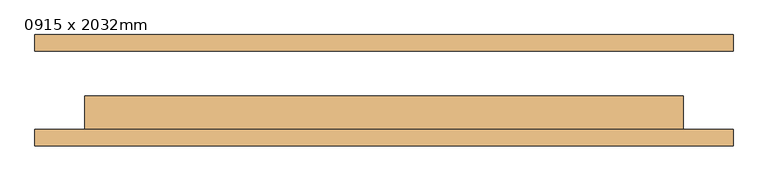
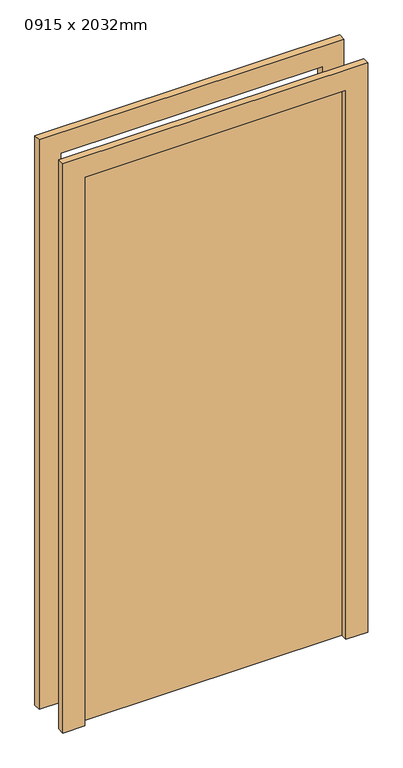
"""IFC4 building model written with IfcOpenShell, lengths in millimetres: door geometry, 0915 x 2032mm."""

from ifc_helpers import new_model, si_unit, frame, origin, origin_with_axes, place, context, project, spatial, polyline, outline, extrude, source, transform, mapped, element, save


def door_0915_x_2032mm_31b4a7db(model_context):
    return source(origin(), model_context, "Body", "SweptSolid", [
        extrude(outline(polyline([(2108.0, -533.5), (0.0, -533.5), (0.0, -457.5), (2032.0, -457.5), (2032.0, 457.5), (0.0, 457.5), (0.0, 533.5), (2108.0, 533.5), (2108.0, -533.5)])), frame((0.0, -85.0, 0.0), z_axis=(0.0, 1.0, 0.0), x_axis=(0.0, 0.0, 1.0)), (0.0, 0.0, 1.0), 25.0),
        extrude(outline(polyline([(2108.0, 533.5), (2108.0, -533.5), (0.0, -533.5), (0.0, -457.5), (2032.0, -457.5), (2032.0, 457.5), (0.0, 457.5), (0.0, 533.5), (2108.0, 533.5)])), frame((0.0, 60.0, 0.0), z_axis=(0.0, 1.0, 0.0), x_axis=(0.0, 0.0, 1.0)), (0.0, 0.0, 1.0), 25.0),
        extrude(outline(polyline([(457.5, -9.0), (457.5, -60.0), (-457.5, -60.0), (-457.5, -9.0), (457.5, -9.0)])), origin_with_axes(), (0.0, 0.0, 1.0), 2032.0),
    ])


if __name__ == "__main__":
    model = new_model("IFC4")
    model_context = context("Model", 3, world=origin())
    ifc_project = project(units=[si_unit("LENGTHUNIT", "METRE", prefix="MILLI")], contexts=[model_context])
    site = spatial("IfcSite", under=ifc_project)
    building = spatial("IfcBuilding", under=site)
    placement = place(None, origin())
    door_0915_x_2032mm_shape = door_0915_x_2032mm_31b4a7db(model_context)
    element("IfcDoor", 1, ObjectType="0915 x 2032mm", at=placement, inside=building, context=model_context, shape_type="MappedRepresentation", body=[
        mapped(door_0915_x_2032mm_shape, transform((0.0, 0.0, 0.0), x_axis=(1.0, 0.0, 0.0), y_axis=(0.0, 1.0, 0.0), z_axis=(0.0, 0.0, 1.0))),
    ])
    save(model, "model.ifc")
